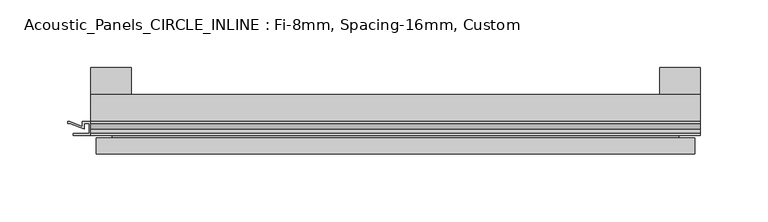
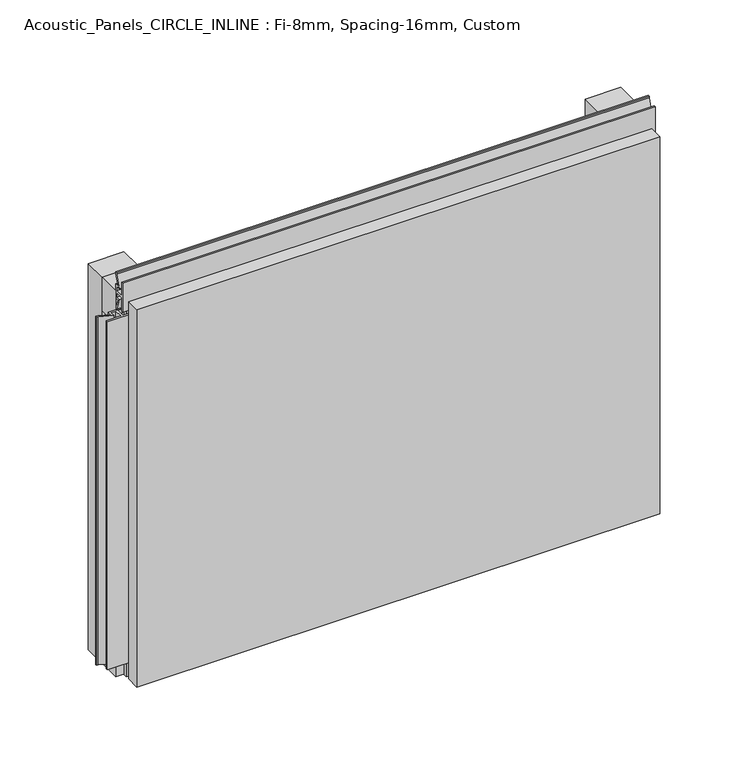
"""IFC4 building model written with IfcOpenShell, lengths in millimetres: plate geometry, Acoustic_Panels_CIRCLE_INLINE : Fi-8mm, Spacing-16mm, Custom."""

from ifc_helpers import new_model, si_unit, frame, origin, origin_with_axes, place, context, project, spatial, polyline, outline, extrude, faceted_brep, source, transform, mapped, element, save


def acoustic_panels_circle_inline_fi_8mm_spacing_16mm_custom_fe4250e1(model_context):
    return source(origin(), model_context, "Body", "SolidModel", [
        extrude(outline(polyline([(-225.0, -40.0), (-225.0, -20.0), (225.0, -20.0), (225.0, -40.0), (-225.0, -40.0)])), frame((0.0, 0.0, 315.0), z_axis=(0.0, 0.0, 1.0), x_axis=(1.0, 0.0, 0.0)), (0.0, 0.0, 1.0), 30.0),
        extrude(outline(polyline([(-225.0, -40.0), (-225.0, -20.0), (225.0, -20.0), (225.0, -40.0), (-225.0, -40.0)])), origin_with_axes(), (0.0, 0.0, 1.0), 30.0),
        extrude(outline(polyline([(195.0, 0.0), (225.0, 0.0), (225.0, -20.0), (195.0, -20.0), (195.0, 0.0)])), origin_with_axes(), (0.0, 0.0, 1.0), 345.0),
        extrude(outline(polyline([(-195.0, 0.0), (-195.0, -20.0), (-225.0, -20.0), (-225.0, 0.0), (-195.0, 0.0)])), origin_with_axes(), (0.0, 0.0, 1.0), 345.0),
        extrude(outline(polyline([(-225.899084, -48.7), (-225.899084, -41.4), (-229.899084, -41.4), (-229.899084, -45.5140545), (-240.5703394, -41.4553267), (-241.9558599, -41.4553267), (-241.9558599, -40.0553267), (-240.3558599, -40.0553267), (-231.299084, -43.5), (-231.299084, -40.0), (-218.700916, -40.0), (-218.700916, -43.5), (-209.6441401, -40.0553267), (-208.0441401, -40.0553267), (-208.0441401, -41.4553267), (-209.4296606, -41.4553267), (-220.100916, -45.5140545), (-220.100916, -41.4), (-224.100916, -41.4), (-224.100916, -48.7), (-212.100916, -48.7), (-212.100916, -50.1), (-237.899084, -50.1), (-237.899084, -48.7), (-225.899084, -48.7)])), frame((0.0, 0.0, 16.9558599), z_axis=(0.0, 0.0, 1.0), x_axis=(1.0, 0.0, 0.0)), (0.0, 0.0, 1.0), 311.0882802),
        extrude(outline(polyline([(-48.7, 345.899084), (-41.4, 345.899084), (-41.4, 349.899084), (-45.5140545, 349.899084), (-41.4553267, 360.5703394), (-41.4553267, 361.9558599), (-40.0553267, 361.9558599), (-40.0553267, 360.3558599), (-43.5, 351.299084), (-40.0, 351.299084), (-40.0, 338.700916), (-43.5, 338.700916), (-40.0553267, 329.6441401), (-40.0553267, 328.0441401), (-41.4553267, 328.0441401), (-41.4553267, 329.4296606), (-45.5140545, 340.100916), (-41.4, 340.100916), (-41.4, 344.100916), (-48.7, 344.100916), (-48.7, 332.100916), (-50.1, 332.100916), (-50.1, 357.899084), (-48.7, 357.899084), (-48.7, 345.899084)])), frame((-225.0, 0.0, 0.0), z_axis=(1.0, 0.0, 0.0), x_axis=(0.0, 1.0, 0.0)), (0.0, 0.0, 1.0), 450.0),
        faceted_brep([(221.0, -45.9, 341.0), (-221.0, -45.9, 341.0), (-221.0, -48.7, 341.0), (221.0, -48.7, 341.0), (-221.0, -63.9, 341.0), (221.0, -63.9, 341.0), (221.0, -51.9, 341.0), (-221.0, -51.9, 341.0), (-221.0, -45.9, 4.0), (221.0, -45.9, 4.0), (221.0, -48.7, 4.0), (-221.0, -48.7, 4.0), (221.0, -63.9, 4.0), (-221.0, -63.9, 4.0), (-221.0, -51.9, 4.0), (221.0, -51.9, 4.0), (209.0, -51.9, 329.0), (209.0, -51.9, 16.0), (209.0, -48.7, 16.0), (209.0, -48.7, 329.0), (-209.0, -51.9, 16.0), (-209.0, -48.7, 16.0), (-209.0, -51.9, 329.0), (-209.0, -48.7, 329.0)], [[[0, 1, 2, 3]], [[4, 5, 6, 7]], [[8, 9, 10, 11]], [[12, 13, 14, 15]], [[1, 0, 9, 8]], [[1, 8, 11, 2]], [[13, 4, 7, 14]], [[5, 4, 13, 12]], [[9, 0, 3, 10]], [[5, 12, 15, 6]], [[16, 17, 18, 19]], [[18, 17, 20, 21]], [[21, 20, 22, 23]], [[16, 19, 23, 22]], [[7, 6, 15, 14], [17, 16, 22, 20]], [[3, 2, 11, 10], [19, 18, 21, 23]]]),
    ])


if __name__ == "__main__":
    model = new_model("IFC4")
    model_context = context("Model", 3, world=origin())
    ifc_project = project(units=[si_unit("LENGTHUNIT", "METRE", prefix="MILLI")], contexts=[model_context])
    site = spatial("IfcSite", under=ifc_project)
    building = spatial("IfcBuilding", under=site)
    placement = place(None, origin())
    acoustic_panels_circle_inline_fi_8mm_spacing_16mm_custom_shape = acoustic_panels_circle_inline_fi_8mm_spacing_16mm_custom_fe4250e1(model_context)
    element("IfcPlate", 1, ObjectType="Acoustic_Panels_CIRCLE_INLINE : Fi-8mm, Spacing-16mm, Custom", at=placement, inside=building, context=model_context, shape_type="MappedRepresentation", body=[
        mapped(acoustic_panels_circle_inline_fi_8mm_spacing_16mm_custom_shape, transform((0.0, 0.0, 0.0), x_axis=(1.0, 0.0, 0.0), y_axis=(0.0, 1.0, 0.0), z_axis=(0.0, 0.0, 1.0))),
    ])
    save(model, "model.ifc")
